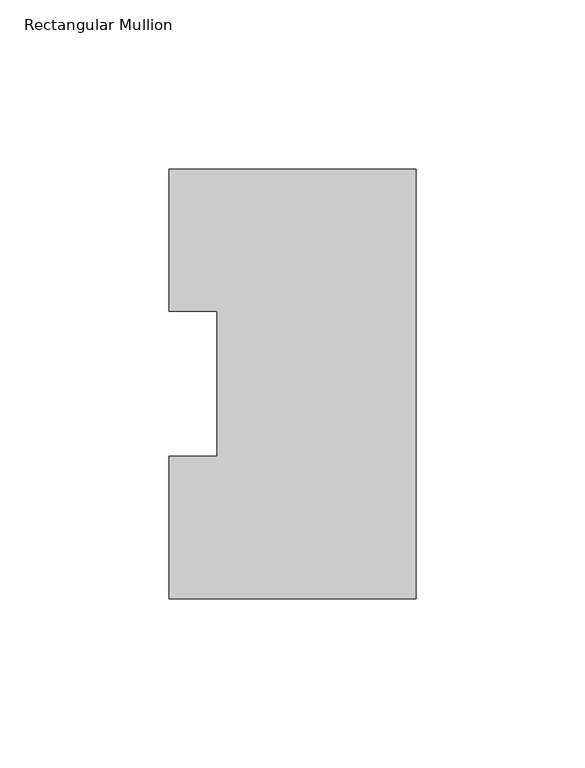
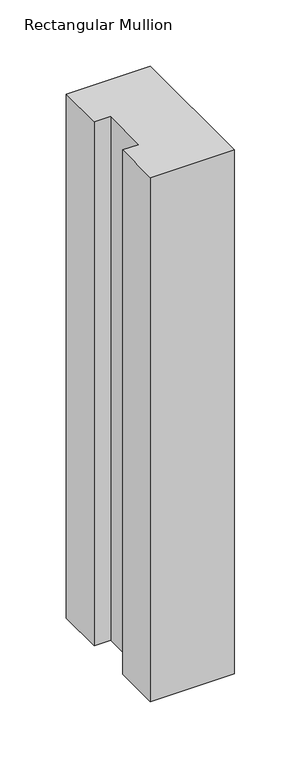
"""IFC4 building model written with IfcOpenShell, lengths in millimetres: member geometry, Rectangular Mullion."""

import ifcopenshell
import ifcopenshell.guid

model = None  # the IFC model being written
_history = None  # IfcOwnerHistory: only IFC2X3 demands one
_inside = {}  # id of a spatial element -> (the spatial element, [elements in it])
_under = {}  # id of a project, library or spatial element -> (it, [spatial elements below it])
_declared = {}  # id of a project -> (the project, [libraries it declares])
_typed = {}  # id of a type object -> (the type object, [elements of that type])
_made_of = {}  # id of a material, layer set ... -> (it, [elements and type objects made of it])


def new_model(schema):
    """Start an empty IFC model of exactly this schema.

    Asked for "IFC4X3", IfcOpenShell would pick the latest addendum, in which some entities
    have other attributes; the version numbers below select the first issue.
    IFC2X3 requires an IfcOwnerHistory on every rooted entity: one is made here for all.
    """
    global model, _history
    if schema == "IFC4X3":
        model = ifcopenshell.file(schema_version=(4, 3, 0, 0))
    else:
        model = ifcopenshell.file(schema=schema)
    _inside.clear()
    _under.clear()
    _declared.clear()
    _typed.clear()
    _made_of.clear()
    _history = None
    if model.schema == "IFC2X3":
        org = make("IfcOrganization", Name="unknown")
        user = make(
            "IfcPersonAndOrganization",
            ThePerson=make("IfcPerson", FamilyName="unknown"),
            TheOrganization=org,
        )
        app = make(
            "IfcApplication",
            ApplicationDeveloper=org,
            Version="unknown",
            ApplicationFullName="unknown",
            ApplicationIdentifier="unknown",
        )
        _history = make(
            "IfcOwnerHistory",
            OwningUser=user,
            OwningApplication=app,
            ChangeAction="ADDED",
            CreationDate=0,
        )
    return model


def make(cls, **values):
    """One entity of the class cls with the attributes given. An attribute that is None is left unset."""
    return model.create_entity(
        cls, **{name: value for name, value in values.items() if value is not None}
    )


def rooted(cls, **values):
    """An entity with a GlobalId (a new one), such as an element, a storey or a relation."""
    return make(cls, GlobalId=ifcopenshell.guid.new(), OwnerHistory=_history, **values)


def si_unit(unit_type, name, prefix=None):
    """IfcSIUnit, for example si_unit("LENGTHUNIT", "METRE", prefix="MILLI")."""
    return make("IfcSIUnit", UnitType=unit_type, Prefix=prefix, Name=name)


def assignment(units):
    """IfcUnitAssignment: the units of a project."""
    return None if units is None else make("IfcUnitAssignment", Units=units)


def point(xyz):
    """IfcCartesianPoint."""
    return None if xyz is None else make("IfcCartesianPoint", Coordinates=xyz)


def direction(xyz):
    """IfcDirection."""
    return None if xyz is None else make("IfcDirection", DirectionRatios=xyz)


def frame(location, z_axis=None, x_axis=None):
    """IfcAxis2Placement3D, a coordinate frame: its origin and axes. An axis left out is left unset."""
    return make(
        "IfcAxis2Placement3D",
        Location=point(location),
        Axis=direction(z_axis),
        RefDirection=direction(x_axis),
    )


def origin():
    """The frame at (0, 0, 0) with its axes left unset."""
    return frame((0.0, 0.0, 0.0))


def place(relative_to, where):
    """IfcLocalPlacement: puts the frame where relative to a parent placement (None: the world)."""
    return make(
        "IfcLocalPlacement", PlacementRelTo=relative_to, RelativePlacement=where
    )


def context(
    kind, dimensions, precision=None, world=None, true_north=None, identifier=None
):
    """IfcGeometricRepresentationContext, for example the 3D "Model" context."""
    return make(
        "IfcGeometricRepresentationContext",
        ContextIdentifier=identifier,
        ContextType=kind,
        CoordinateSpaceDimension=dimensions,
        Precision=precision,
        WorldCoordinateSystem=world,
        TrueNorth=true_north,
    )


def project(units=None, contexts=None):
    """IfcProject with its units and contexts."""
    return rooted(
        "IfcProject",
        Name="project",
        RepresentationContexts=contexts,
        UnitsInContext=assignment(units),
    )


def spatial(cls, under=None, at=None, **own):
    """A site, building, storey or space (cls), placed at a placement, below another one or the project."""
    s = rooted(cls, ObjectPlacement=at, **own)
    if under is not None:
        _under.setdefault(under.id(), (under, []))[1].append(s)
    return s


def polyline(points):
    """IfcPolyline through the points."""
    return make("IfcPolyline", Points=[point(p) for p in points])


def outline(outer, holes=None, kind="AREA"):
    """IfcArbitraryClosedProfileDef: a profile drawn as a closed curve; with holes, ...WithVoids."""
    if holes is None:
        return make("IfcArbitraryClosedProfileDef", ProfileType=kind, OuterCurve=outer)
    return make(
        "IfcArbitraryProfileDefWithVoids",
        ProfileType=kind,
        OuterCurve=outer,
        InnerCurves=holes,
    )


def extrude(swept, where, along, depth):
    """IfcExtrudedAreaSolid: the profile swept, set in the frame where, extruded along a direction by depth."""
    return make(
        "IfcExtrudedAreaSolid",
        SweptArea=swept,
        Position=where,
        ExtrudedDirection=direction(along),
        Depth=depth,
    )


def shape(context_of_items, identifier, shape_type, items):
    """IfcShapeRepresentation: the items that make up one representation, for example the "Body"."""
    return make(
        "IfcShapeRepresentation",
        ContextOfItems=context_of_items,
        RepresentationIdentifier=identifier,
        RepresentationType=shape_type,
        Items=items,
    )


def source(mapping_origin, context_of_items, identifier, shape_type, items):
    """IfcRepresentationMap: a shape defined once, which mapped items show again and again."""
    return make(
        "IfcRepresentationMap",
        MappingOrigin=mapping_origin,
        MappedRepresentation=shape(context_of_items, identifier, shape_type, items),
    )


def transform(
    local_origin,
    x_axis=None,
    y_axis=None,
    z_axis=None,
    scale=None,
    scale2=None,
    scale3=None,
    uniform=True,
):
    """IfcCartesianTransformationOperator3D, or its non-uniform kind. x_axis, y_axis, z_axis: its Axis1, 2, 3."""
    if uniform:
        return make(
            "IfcCartesianTransformationOperator3D",
            Axis1=direction(x_axis),
            Axis2=direction(y_axis),
            LocalOrigin=point(local_origin),
            Scale=scale,
            Axis3=direction(z_axis),
        )
    return make(
        "IfcCartesianTransformationOperator3DnonUniform",
        Axis1=direction(x_axis),
        Axis2=direction(y_axis),
        LocalOrigin=point(local_origin),
        Scale=scale,
        Axis3=direction(z_axis),
        Scale2=scale2,
        Scale3=scale3,
    )


def mapped(mapping_source, mapping_target):
    """IfcMappedItem: shows the shape of a source again, moved by a transform."""
    return make(
        "IfcMappedItem", MappingSource=mapping_source, MappingTarget=mapping_target
    )


def made_of(thing, what):
    """Note that an element or type object is made of a material, layer set ...; save() writes the relation."""
    if what is not None:
        _made_of.setdefault(what.id(), (what, []))[1].append(thing)
    return thing


def element(
    cls,
    number,
    at=None,
    inside=None,
    cuts=None,
    type_object=None,
    material=None,
    context=None,
    identifier="Body",
    shape_type=None,
    held_by="IfcProductDefinitionShape",
    body=None,
    shapes=None,
    **own,
):
    """One element of the class cls, such as IfcWall. Its Tag is "e" and its number.

    at: its placement. inside: the storey or other place that contains it. cuts: it is an
    opening in that element (IfcRelVoidsElement). A single representation is given by context,
    identifier, shape_type and body (its items); several are given by shapes. held_by: the class
    of the entity that holds the representations. save() writes the other relations.
    """
    e = rooted(cls, Tag="e%d" % number, ObjectPlacement=at, **own)
    if body is not None:
        shapes = [shape(context, identifier, shape_type, body)]
    if shapes is not None:
        e.Representation = make(held_by, Representations=shapes)
    if inside is not None:
        _inside.setdefault(inside.id(), (inside, []))[1].append(e)
    if cuts is not None:
        rooted(
            "IfcRelVoidsElement", RelatingBuildingElement=cuts, RelatedOpeningElement=e
        )
    if type_object is not None:
        _typed.setdefault(type_object.id(), (type_object, []))[1].append(e)
    return made_of(e, material)


def aggregate(whole, parts):
    """IfcRelAggregates: a whole, such as a stair, and the parts it consists of."""
    return rooted("IfcRelAggregates", RelatingObject=whole, RelatedObjects=parts)


def save(model, path):
    """Write the relations noted so far, then the file.

    IfcRelAggregates (storeys below a building ...), IfcRelContainedInSpatialStructure (elements
    in a storey), IfcRelDefinesByType, IfcRelAssociatesMaterial and IfcRelDeclares: one each for
    every whole, place, type object, material and project.
    """
    for whole, parts in _under.values():
        aggregate(whole, parts)
    for where, things in _inside.values():
        rooted(
            "IfcRelContainedInSpatialStructure",
            RelatedElements=things,
            RelatingStructure=where,
        )
    for kind, things in _typed.values():
        rooted("IfcRelDefinesByType", RelatedObjects=things, RelatingType=kind)
    for what, things in _made_of.values():
        rooted("IfcRelAssociatesMaterial", RelatedObjects=things, RelatingMaterial=what)
    for by, libraries in _declared.values():
        rooted("IfcRelDeclares", RelatingContext=by, RelatedDefinitions=libraries)
    model.write(path)


def rectangular_mullion_dea54d87(model_context):
    return source(origin(), model_context, "Body", "SweptSolid", [
        extrude(outline(polyline([(0.0, 126.7086937), (0.0, -0.2913063), (-73.025, -0.2913063), (-73.025, 41.7837937), (-58.7375, 41.7837937), (-58.7375, 84.6335938), (-73.025, 84.6335938), (-73.025, 126.7086937), (0.0, 126.7086937)])), frame((0.0, 0.0, -482.6), z_axis=(0.0, 0.0, 1.0), x_axis=(1.0, 0.0, 0.0)), (0.0, 0.0, 1.0), 482.6),
    ])


if __name__ == "__main__":
    model = new_model("IFC4")
    model_context = context("Model", 3, world=origin())
    ifc_project = project(units=[si_unit("LENGTHUNIT", "METRE", prefix="MILLI")], contexts=[model_context])
    site = spatial("IfcSite", under=ifc_project)
    building = spatial("IfcBuilding", under=site)
    placement = place(None, origin())
    rectangular_mullion_shape = rectangular_mullion_dea54d87(model_context)
    element("IfcMember", 1, ObjectType="Rectangular Mullion", at=placement, inside=building, context=model_context, shape_type="MappedRepresentation", body=[
        mapped(rectangular_mullion_shape, transform((0.0, 0.0, 0.0), x_axis=(1.0, 0.0, 0.0), y_axis=(0.0, 1.0, 0.0), z_axis=(0.0, 0.0, 1.0))),
    ])
    save(model, "model.ifc")
